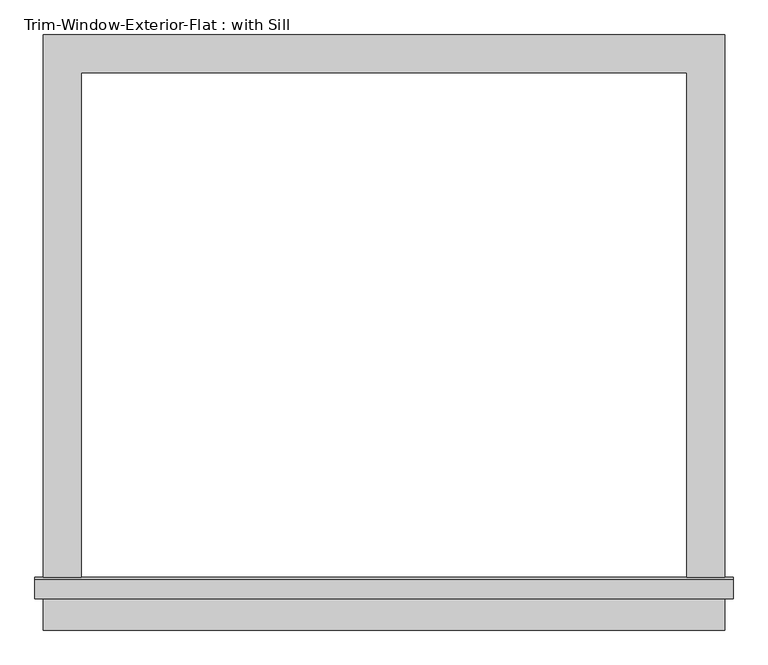
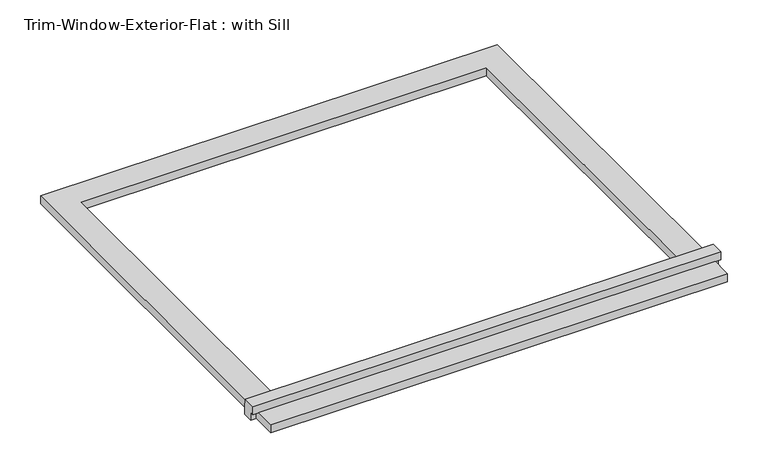
"""IFC4 building model written with IfcOpenShell, lengths in millimetres: proxy geometry, Trim-Window-Exterior-Flat : with Sill."""

from ifc_helpers import new_model, si_unit, frame, origin, origin_with_axes, place, context, project, spatial, polyline, outline, extrude, source, transform, mapped, element, save


def trim_window_exterior_flat_with_sill_001470bc(model_context):
    return source(origin(), model_context, "Body", "SweptSolid", [
        extrude(outline(polyline([(514.35, -784.1823709), (514.35, -841.3323709), (-514.35, -841.3323709), (-514.35, -784.1823709), (514.35, -784.1823709)])), origin_with_axes(), (0.0, 0.0, 1.0), 19.05),
        extrude(outline(polyline([(-793.75, 38.1), (-764.4580645, 38.1), (-762.0, 19.05), (-762.0, 0.0), (-784.1823709, 0.0), (-784.1823709, 19.05), (-793.75, 19.05), (-793.75, 38.1)])), frame((-527.05, 0.0, 0.0), z_axis=(1.0, 0.0, 0.0), x_axis=(0.0, 1.0, 0.0)), (0.0, 0.0, 1.0), 1054.1),
        extrude(outline(polyline([(-514.35, 57.15), (514.35, 57.15), (514.35, -762.0), (457.2, -762.0), (457.2, 0.0), (-457.2, 0.0), (-457.2, -762.0), (-514.35, -762.0), (-514.35, 57.15)])), origin_with_axes(), (0.0, 0.0, 1.0), 19.05),
    ])


if __name__ == "__main__":
    model = new_model("IFC4")
    model_context = context("Model", 3, world=origin())
    ifc_project = project(units=[si_unit("LENGTHUNIT", "METRE", prefix="MILLI")], contexts=[model_context])
    site = spatial("IfcSite", under=ifc_project)
    building = spatial("IfcBuilding", under=site)
    placement = place(None, origin())
    trim_window_exterior_flat_with_sill_shape = trim_window_exterior_flat_with_sill_001470bc(model_context)
    element("IfcBuildingElementProxy", 1, Name="Trim-Window-Exterior-Flat : with Sill", ObjectType="Trim-Window-Exterior-Flat : with Sill", at=placement, inside=building, context=model_context, shape_type="MappedRepresentation", body=[
        mapped(trim_window_exterior_flat_with_sill_shape, transform((0.0, 0.0, 0.0), x_axis=(1.0, 0.0, 0.0), y_axis=(0.0, 1.0, 0.0), z_axis=(0.0, 0.0, 1.0))),
    ])
    save(model, "model.ifc")
